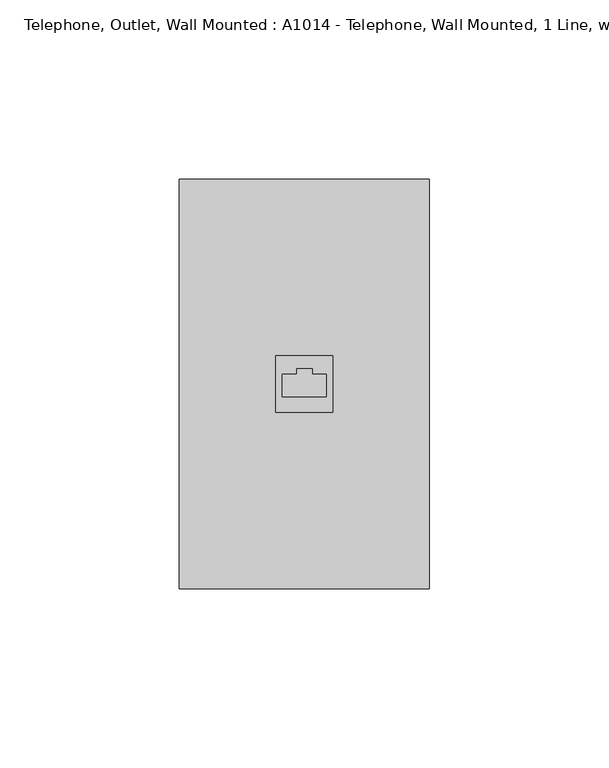
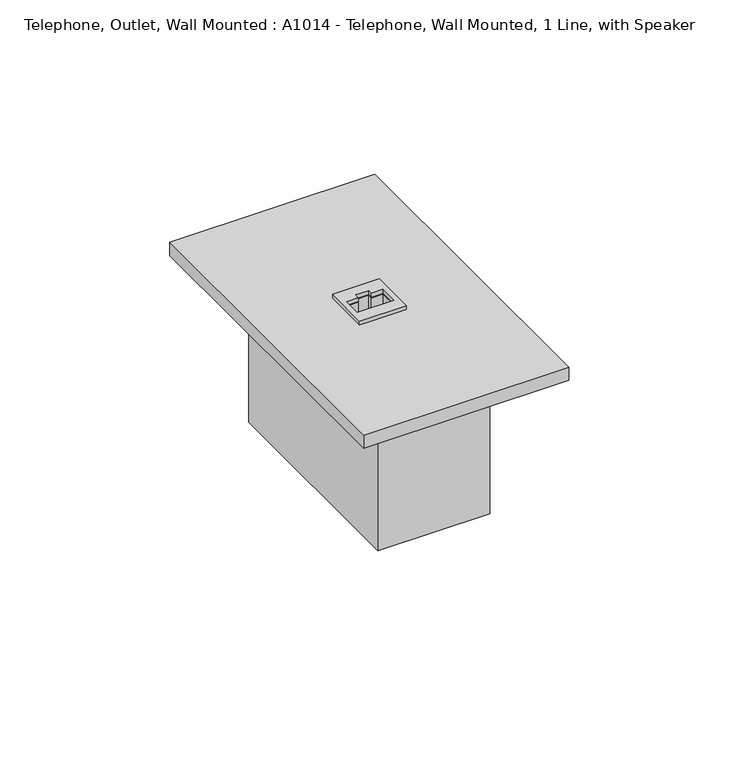
"""IFC4 building model written with IfcOpenShell, lengths in millimetres: electric appliance geometry, Telephone, Outlet, Wall Mounted : A1014 - Telephone, Wall Mounted, 1 Line, with Speaker."""

from ifc_helpers import new_model, si_unit, frame, origin, origin_with_axes, place, context, project, spatial, polyline, outline, extrude, source, transform, mapped, element, save


def telephone_outlet_wall_mounted_a1014_telephone_wall_mounted_1_06418e79(model_context):
    return source(origin(), model_context, "Body", "SweptSolid", [
        extrude(outline(polyline([(34.925, 57.15), (34.925, -57.15), (-34.925, -57.15), (-34.925, 57.15), (34.925, 57.15)]), holes=[polyline([(6.1840426, 2.6725887), (2.2152926, 2.6725887), (2.2152926, 4.2600887), (-2.1698748, 4.2600887), (-2.1698748, 2.6725887), (-6.1761054, 2.6725887), (-6.1761054, -3.6317489), (6.1840426, -3.6317489), (6.1840426, 2.6725887)])]), origin_with_axes(), (0.0, 0.0, 1.0), 4.7625),
        extrude(outline(polyline([(19.05, 38.1), (19.05, -38.1), (-19.05, -38.1), (-19.05, 38.1), (19.05, 38.1)])), frame((0.0, 0.0, -53.975), z_axis=(0.0, 0.0, 1.0), x_axis=(1.0, 0.0, 0.0)), (0.0, 0.0, 1.0), 53.975),
        extrude(outline(polyline([(-7.9375, 7.9375), (7.9375, 7.9375), (7.9375, -7.9375), (-7.9375, -7.9375), (-7.9375, 7.9375)]), holes=[polyline([(6.1840426, 2.6725887), (2.2152926, 2.6725887), (2.2152926, 4.2600887), (-2.1698748, 4.2600887), (-2.1698748, 2.6725887), (-6.1761054, 2.6725887), (-6.1761054, -3.6317489), (6.1840426, -3.6317489), (6.1840426, 2.6725887)])]), frame((0.0, 0.0, 0.1002738), z_axis=(0.0, 0.0, 1.0), x_axis=(1.0, 0.0, 0.0)), (0.0, 0.0, 1.0), 6.35),
    ])


if __name__ == "__main__":
    model = new_model("IFC4")
    model_context = context("Model", 3, world=origin())
    ifc_project = project(units=[si_unit("LENGTHUNIT", "METRE", prefix="MILLI")], contexts=[model_context])
    site = spatial("IfcSite", under=ifc_project)
    building = spatial("IfcBuilding", under=site)
    placement = place(None, origin())
    telephone_outlet_wall_mounted_a1014_telephone_wall_mounted_1_shape = telephone_outlet_wall_mounted_a1014_telephone_wall_mounted_1_06418e79(model_context)
    element("IfcElectricAppliance", 1, ObjectType="Telephone, Outlet, Wall Mounted : A1014 - Telephone, Wall Mounted, 1 Line, with Speaker", at=placement, inside=building, context=model_context, shape_type="MappedRepresentation", body=[
        mapped(telephone_outlet_wall_mounted_a1014_telephone_wall_mounted_1_shape, transform((0.0, 0.0, 0.0), x_axis=(1.0, 0.0, 0.0), y_axis=(0.0, 1.0, 0.0), z_axis=(0.0, 0.0, 1.0))),
    ])
    save(model, "model.ifc")
